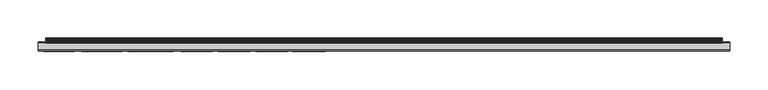
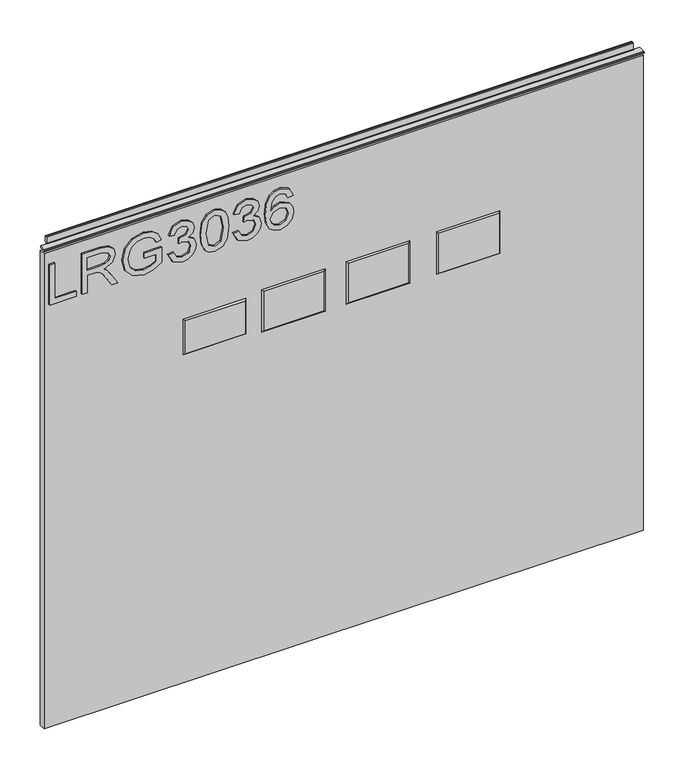
"""IFC4 building model written with IfcOpenShell, lengths in millimetres: furniture geometry."""

from ifc_helpers import new_model, si_unit, frame, origin, place, context, project, spatial, polyline, outline, extrude, faceted_brep, source, transform, mapped, element, save


def furniture_b7515d09(model_context):
    return source(origin(), model_context, "Body", "SolidModel", [
        extrude(outline(polyline([(773.6078, -291.2164221), (773.6078, -251.347824), (781.5815196, -251.347824), (781.5815196, -283.2427025), (837.3975569, -283.2427025), (837.3975569, -291.2164221), (773.6078, -291.2164221)])), frame((0.0, -5.5495814, 0.0), z_axis=(0.0, 1.0, 0.0), x_axis=(0.0, 0.0, 1.0)), (0.0, 0.0, 1.0), 2.38125),
        extrude(outline(polyline([(773.6078, -242.3773894), (773.6078, -234.4036698), (801.5158187, -234.4036698), (801.5158187, -224.7791411), (801.2354926, -220.1537607), (799.7170596, -216.3615718), (795.58225, -212.1488938), (786.8298468, -206.1530304), (773.6078, -197.8522637), (773.6078, -188.5859294), (790.894575, -199.2227467), (799.1018996, -205.6858203), (802.5125336, -210.2177586), (808.4461023, -196.8633356), (819.9394716, -192.5416418), (829.5873609, -195.1502317), (835.6766663, -202.1272364), (837.3975569, -214.8898599), (837.3975569, -242.3773894), (773.6078, -242.3773894)]), holes=[polyline([(809.4895383, -234.4036698), (829.4238373, -234.4036698), (829.4238373, -214.5472391), (826.6672975, -203.8870612), (819.6435719, -200.5153614), (814.2317211, -202.2829731), (810.6186294, -207.4534319), (809.4895383, -216.5562427), (809.4895383, -234.4036698)])]), frame((0.0, -5.5495814, 0.0), z_axis=(0.0, 1.0, 0.0), x_axis=(0.0, 0.0, 1.0)), (0.0, 0.0, 1.0), 2.38125),
        extrude(outline(polyline([(798.5256738, -148.6861839), (798.5256738, -130.7453148), (787.0011572, -130.7453148), (782.6327424, -138.8202633), (780.5848047, -149.7296199), (783.3024103, -161.8848702), (791.6187507, -170.606126), (805.5182521, -173.6040577), (818.0394837, -171.1122703), (824.183297, -167.008608), (828.6996616, -160.0627507), (830.4205523, -149.8542093), (828.824251, -140.8915615), (824.5726388, -134.6776667), (817.1985055, -131.0412145), (819.2698038, -123.6904418), (829.8209659, -128.510493), (836.1283027, -137.2551093), (838.3942719, -149.7296199), (834.4852804, -166.5180374), (822.5324879, -177.6921464), (805.191205, -181.5777773), (788.2314772, -177.6765727), (776.6213054, -166.1209088), (772.611085, -149.0910994), (775.1340198, -135.565366), (782.6561029, -122.7715952), (806.4993934, -122.7715952), (806.4993934, -148.6861839), (798.5256738, -148.6861839)])), frame((0.0, -5.5495814, 0.0), z_axis=(0.0, 1.0, 0.0), x_axis=(0.0, 0.0, 1.0)), (0.0, 0.0, 1.0), 2.38125),
        extrude(outline(polyline([(790.5519542, -112.8044456), (777.6102335, -106.4659615), (772.611085, -92.4808048), (774.0750101, -83.9581133), (778.4667854, -77.0472967), (784.9610063, -72.4686374), (792.7322681, -70.9424176), (803.1043331, -73.9948572), (808.555118, -82.6849657), (813.8345925, -76.1440238), (821.1853653, -73.9325625), (829.2291664, -76.2608263), (835.2094562, -82.9886523), (837.3975569, -92.6053942), (832.9590607, -105.2823625), (820.4534028, -111.8077307), (819.4566878, -103.8340111), (826.9320499, -99.9250196), (829.4238373, -92.3250681), (826.9554105, -84.8185586), (820.7181552, -81.9062821), (813.6788558, -85.9242893), (811.4829682, -96.2496332), (803.5092486, -97.1373325), (804.3813742, -91.5463846), (801.11869, -82.482508), (792.8724312, -78.9161373), (784.120028, -82.5136553), (780.5848047, -92.2004787), (783.1544604, -100.4311639), (791.5486691, -104.830726), (790.5519542, -112.8044456)])), frame((0.0, -5.5495814, 0.0), z_axis=(0.0, 1.0, 0.0), x_axis=(0.0, 0.0, 1.0)), (0.0, 0.0, 1.0), 2.38125),
        extrude(outline(polyline([(804.9887473, -63.965413), (789.4734775, -62.3768985), (778.6848168, -57.6113552), (774.129518, -51.319592), (772.611085, -43.034399), (776.1073742, -31.3619325), (786.7130443, -24.423862), (804.9887473, -22.103385), (819.9784058, -23.5517364), (829.4160505, -27.2894175), (835.3418324, -33.7213436), (837.3975569, -43.034399), (833.9246283, -54.6601445), (823.3423188, -61.6215755), (804.9887473, -63.965413)]), holes=[polyline([(805.004321, -55.9916934), (825.1566514, -52.1294229), (829.4238373, -43.127841), (824.5804256, -33.6901963), (805.004321, -30.0771046), (785.2179718, -33.8147857), (780.5848047, -43.034399), (785.2023982, -52.2540123), (805.004321, -55.9916934)])]), frame((0.0, -5.5495814, 0.0), z_axis=(0.0, 1.0, 0.0), x_axis=(0.0, 0.0, 1.0)), (0.0, 0.0, 1.0), 2.38125),
        extrude(outline(polyline([(790.5519542, -15.1263803), (777.6102335, -8.7878962), (772.611085, 5.1972605), (774.0750101, 13.719952), (778.4667854, 20.6307686), (784.9610063, 25.2094279), (792.7322681, 26.7356477), (803.1043331, 23.6832081), (808.555118, 14.9930996), (813.8345925, 21.5340415), (821.1853653, 23.7455028), (829.2291664, 21.417239), (835.2094562, 14.6894131), (837.3975569, 5.0726711), (832.9590607, -7.6042972), (820.4534028, -14.1296654), (819.4566878, -6.1559457), (826.9320499, -2.2469543), (829.4238373, 5.3529972), (826.9554105, 12.8595067), (820.7181552, 15.7717832), (813.6788558, 11.753776), (811.4829682, 1.4284321), (803.5092486, 0.5407328), (804.3813742, 6.1316808), (801.11869, 15.1955574), (792.8724312, 18.7619281), (784.120028, 15.16441), (780.5848047, 5.4775866), (783.1544604, -2.7530986), (791.5486691, -7.1526607), (790.5519542, -15.1263803)])), frame((0.0, -5.5495814, 0.0), z_axis=(0.0, 1.0, 0.0), x_axis=(0.0, 0.0, 1.0)), (0.0, 0.0, 1.0), 2.38125),
        extrude(outline(polyline([(820.4534028, 74.5779654), (832.896766, 68.6911177), (837.3975569, 56.0920178), (835.5793308, 46.8373637), (830.1246525, 39.6929421), (819.2659103, 34.4601886), (803.3846592, 32.7159374), (789.2593395, 34.2869315), (779.7749738, 38.9999137), (774.4020572, 46.2046833), (772.611085, 55.2510395), (775.313117, 65.7009728), (783.0999526, 72.9427299), (794.1027512, 75.5746803), (802.2750351, 74.1769434), (808.7887231, 69.9837324), (814.473113, 56.4346385), (812.3940279, 47.7211695), (806.0321833, 40.689657), (820.2431582, 42.9556262), (827.4927021, 48.3986242), (829.4238373, 55.5936603), (826.1066454, 63.5829536), (819.4566878, 66.6042458), (820.4534028, 74.5779654)]), holes=[polyline([(794.2273406, 40.689657), (803.11212, 44.6531563), (806.4993934, 54.3010456), (803.11212, 64.0735242), (793.8379988, 67.6009607), (784.1511754, 64.0268032), (780.5848047, 54.6280927), (782.3056953, 47.4408434), (787.3204174, 42.535137), (794.2273406, 40.689657)])]), frame((0.0, -5.5495814, 0.0), z_axis=(0.0, 1.0, 0.0), x_axis=(0.0, 0.0, 1.0)), (0.0, 0.0, 1.0), 2.38125),
        faceted_brep([(384.7973, -5.2069939, 682.5742), (294.1193, -5.2069939, 682.5742), (294.1193, -5.2069939, 619.5822), (384.7973, -5.2069939, 619.5822), (387.0833, -3.1749939, 684.8602), (387.0833, -3.1749939, 617.2962), (291.8333, -3.1749939, 617.2962), (291.8333, -3.1749939, 684.8602)], [[[0, 1, 2, 3]], [[4, 5, 6, 7]], [[4, 7, 1, 0]], [[7, 6, 2, 1]], [[6, 5, 3, 2]], [[5, 4, 0, 3]]]),
        faceted_brep([(249.0597, -5.2069939, 682.5742), (158.3817, -5.2069939, 682.5742), (158.3817, -5.2069939, 619.5822), (249.0597, -5.2069939, 619.5822), (251.3457, -3.1749939, 684.8602), (251.3457, -3.1749939, 617.2962), (156.0957, -3.1749939, 617.2962), (156.0957, -3.1749939, 684.8602)], [[[0, 1, 2, 3]], [[4, 5, 6, 7]], [[4, 7, 1, 0]], [[7, 6, 2, 1]], [[6, 5, 3, 2]], [[5, 4, 0, 3]]]),
        faceted_brep([(122.0597, -5.2069939, 682.5742), (31.3817, -5.2069939, 682.5742), (31.3817, -5.2069939, 619.5822), (122.0597, -5.2069939, 619.5822), (124.3457, -3.1749939, 684.8602), (124.3457, -3.1749939, 617.2962), (29.0957, -3.1749939, 617.2962), (29.0957, -3.1749939, 684.8602)], [[[0, 1, 2, 3]], [[4, 5, 6, 7]], [[4, 7, 1, 0]], [[7, 6, 2, 1]], [[6, 5, 3, 2]], [[5, 4, 0, 3]]]),
        faceted_brep([(2.794, -5.2069939, 677.1132), (-86.868, -5.2069939, 677.1132), (-86.868, -5.2069939, 625.0432), (2.794, -5.2069939, 625.0432), (5.08, -3.1749939, 679.3992), (5.08, -3.1749939, 622.7572), (-89.154, -3.1749939, 622.7572), (-89.154, -3.1749939, 679.3992)], [[[0, 1, 2, 3]], [[4, 5, 6, 7]], [[4, 7, 1, 0]], [[7, 6, 2, 1]], [[6, 5, 3, 2]], [[5, 4, 0, 3]]]),
        extrude(outline(polyline([(-298.196, 6.3500061), (602.488, 6.3500061), (602.488, -3.1749939), (-298.196, -3.1749939), (-298.196, 6.3500061)])), frame((0.0, 0.0, 101.6), z_axis=(0.0, 0.0, 1.0), x_axis=(1.0, 0.0, 0.0)), (0.0, 0.0, 1.0), 754.5578),
        extrude(outline(polyline([(5.5562561, 863.6), (6.3500061, 863.6), (6.3500061, 873.47425), (7.1437561, 874.268), (8.6677569, 874.268), (10.0084363, 873.8506926), (10.875413, 872.7461816), (10.9623604, 871.3447591), (10.2390011, 868.3863459), (10.4046103, 867.1833307), (11.6746103, 864.9836103), (10.7786383, 864.4663244), (7.1437561, 864.4663244), (7.1437561, 863.6), (6.3500061, 863.3669239), (6.3500061, 856.1578), (5.5562561, 856.1578), (5.5562561, 863.6)])), frame((-288.671, 0.0, 0.0), z_axis=(1.0, 0.0, 0.0), x_axis=(0.0, 1.0, 0.0)), (0.0, 0.0, 1.0), 881.634),
        extrude(outline(polyline([(5.5562561, 863.6), (5.5562561, 860.4249996), (-3.975094, 860.4249996), (-5.3492339, 861.2183657), (-5.3492339, 862.8066395), (-3.9751037, 863.6), (5.5562561, 863.6)])), frame((-298.196, 0.0, 0.0), z_axis=(1.0, 0.0, 0.0), x_axis=(0.0, 1.0, 0.0)), (0.0, 0.0, 1.0), 900.684),
    ])


if __name__ == "__main__":
    model = new_model("IFC4")
    model_context = context("Model", 3, world=origin())
    ifc_project = project(units=[si_unit("LENGTHUNIT", "METRE", prefix="MILLI")], contexts=[model_context])
    site = spatial("IfcSite", under=ifc_project)
    building = spatial("IfcBuilding", under=site)
    placement = place(None, origin())
    furniture_shape = furniture_b7515d09(model_context)
    element("IfcFurniture", 1, at=placement, inside=building, context=model_context, shape_type="MappedRepresentation", body=[
        mapped(furniture_shape, transform((0.0, 0.0, 0.0), x_axis=(1.0, 0.0, 0.0), y_axis=(0.0, 1.0, 0.0), z_axis=(0.0, 0.0, 1.0))),
    ])
    save(model, "model.ifc")
